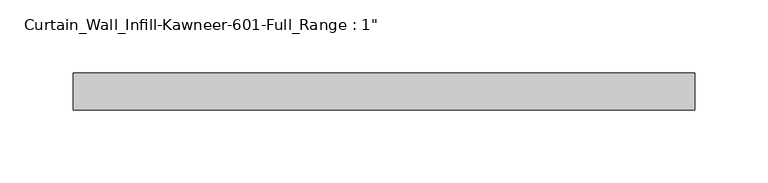
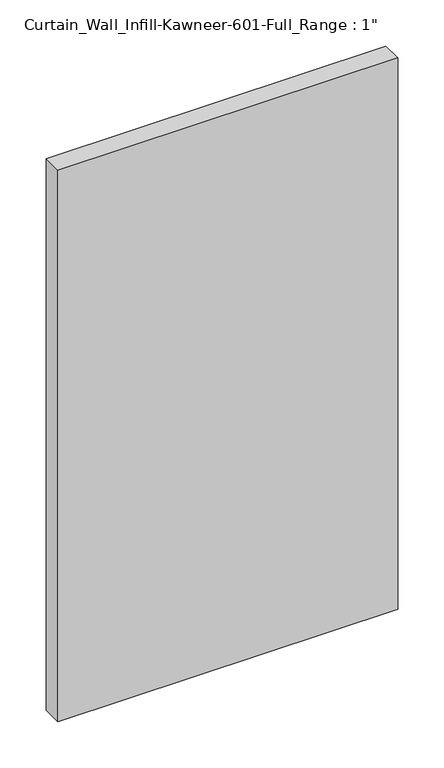
"""IFC4 building model written with IfcOpenShell, lengths in millimetres: plate geometry."""

from ifc_helpers import new_model, si_unit, origin, origin_with_axes, place, context, project, spatial, polyline, outline, extrude, source, transform, mapped, element, save


def plate_60490737(model_context):
    return source(origin(), model_context, "Body", "SweptSolid", [
        extrude(outline(polyline([(-212.725, -12.7), (-212.725, 12.7), (212.725, 12.7), (212.725, -12.7), (-212.725, -12.7)])), origin_with_axes(), (0.0, 0.0, 1.0), 730.25),
    ])


if __name__ == "__main__":
    model = new_model("IFC4")
    model_context = context("Model", 3, world=origin())
    ifc_project = project(units=[si_unit("LENGTHUNIT", "METRE", prefix="MILLI")], contexts=[model_context])
    site = spatial("IfcSite", under=ifc_project)
    building = spatial("IfcBuilding", under=site)
    placement = place(None, origin())
    plate_shape = plate_60490737(model_context)
    element("IfcPlate", 1, ObjectType="Curtain_Wall_Infill-Kawneer-601-Full_Range : 1\"", at=placement, inside=building, context=model_context, shape_type="MappedRepresentation", body=[
        mapped(plate_shape, transform((0.0, 0.0, 0.0), x_axis=(1.0, 0.0, 0.0), y_axis=(0.0, 1.0, 0.0), z_axis=(0.0, 0.0, 1.0))),
    ])
    save(model, "model.ifc")
